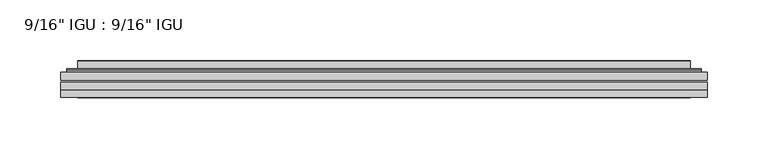
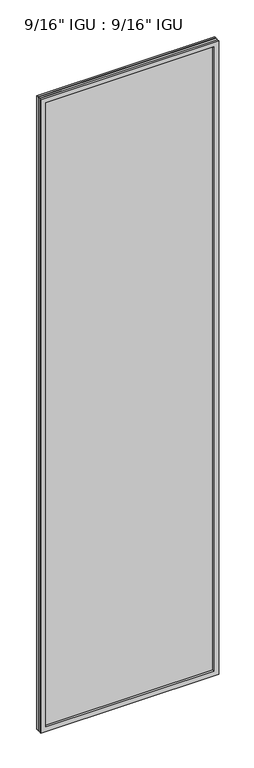
"""IFC4 building model written with IfcOpenShell, lengths in millimetres: plate geometry."""

import ifcopenshell
import ifcopenshell.guid

model = None  # the IFC model being written
_history = None  # IfcOwnerHistory: only IFC2X3 demands one
_inside = {}  # id of a spatial element -> (the spatial element, [elements in it])
_under = {}  # id of a project, library or spatial element -> (it, [spatial elements below it])
_declared = {}  # id of a project -> (the project, [libraries it declares])
_typed = {}  # id of a type object -> (the type object, [elements of that type])
_made_of = {}  # id of a material, layer set ... -> (it, [elements and type objects made of it])


def new_model(schema):
    """Start an empty IFC model of exactly this schema.

    Asked for "IFC4X3", IfcOpenShell would pick the latest addendum, in which some entities
    have other attributes; the version numbers below select the first issue.
    IFC2X3 requires an IfcOwnerHistory on every rooted entity: one is made here for all.
    """
    global model, _history
    if schema == "IFC4X3":
        model = ifcopenshell.file(schema_version=(4, 3, 0, 0))
    else:
        model = ifcopenshell.file(schema=schema)
    _inside.clear()
    _under.clear()
    _declared.clear()
    _typed.clear()
    _made_of.clear()
    _history = None
    if model.schema == "IFC2X3":
        org = make("IfcOrganization", Name="unknown")
        user = make(
            "IfcPersonAndOrganization",
            ThePerson=make("IfcPerson", FamilyName="unknown"),
            TheOrganization=org,
        )
        app = make(
            "IfcApplication",
            ApplicationDeveloper=org,
            Version="unknown",
            ApplicationFullName="unknown",
            ApplicationIdentifier="unknown",
        )
        _history = make(
            "IfcOwnerHistory",
            OwningUser=user,
            OwningApplication=app,
            ChangeAction="ADDED",
            CreationDate=0,
        )
    return model


def make(cls, **values):
    """One entity of the class cls with the attributes given. An attribute that is None is left unset."""
    return model.create_entity(
        cls, **{name: value for name, value in values.items() if value is not None}
    )


def rooted(cls, **values):
    """An entity with a GlobalId (a new one), such as an element, a storey or a relation."""
    return make(cls, GlobalId=ifcopenshell.guid.new(), OwnerHistory=_history, **values)


def si_unit(unit_type, name, prefix=None):
    """IfcSIUnit, for example si_unit("LENGTHUNIT", "METRE", prefix="MILLI")."""
    return make("IfcSIUnit", UnitType=unit_type, Prefix=prefix, Name=name)


def assignment(units):
    """IfcUnitAssignment: the units of a project."""
    return None if units is None else make("IfcUnitAssignment", Units=units)


def point(xyz):
    """IfcCartesianPoint."""
    return None if xyz is None else make("IfcCartesianPoint", Coordinates=xyz)


def direction(xyz):
    """IfcDirection."""
    return None if xyz is None else make("IfcDirection", DirectionRatios=xyz)


def frame(location, z_axis=None, x_axis=None):
    """IfcAxis2Placement3D, a coordinate frame: its origin and axes. An axis left out is left unset."""
    return make(
        "IfcAxis2Placement3D",
        Location=point(location),
        Axis=direction(z_axis),
        RefDirection=direction(x_axis),
    )


def origin():
    """The frame at (0, 0, 0) with its axes left unset."""
    return frame((0.0, 0.0, 0.0))


def place(relative_to, where):
    """IfcLocalPlacement: puts the frame where relative to a parent placement (None: the world)."""
    return make(
        "IfcLocalPlacement", PlacementRelTo=relative_to, RelativePlacement=where
    )


def context(
    kind, dimensions, precision=None, world=None, true_north=None, identifier=None
):
    """IfcGeometricRepresentationContext, for example the 3D "Model" context."""
    return make(
        "IfcGeometricRepresentationContext",
        ContextIdentifier=identifier,
        ContextType=kind,
        CoordinateSpaceDimension=dimensions,
        Precision=precision,
        WorldCoordinateSystem=world,
        TrueNorth=true_north,
    )


def project(units=None, contexts=None):
    """IfcProject with its units and contexts."""
    return rooted(
        "IfcProject",
        Name="project",
        RepresentationContexts=contexts,
        UnitsInContext=assignment(units),
    )


def spatial(cls, under=None, at=None, **own):
    """A site, building, storey or space (cls), placed at a placement, below another one or the project."""
    s = rooted(cls, ObjectPlacement=at, **own)
    if under is not None:
        _under.setdefault(under.id(), (under, []))[1].append(s)
    return s


def polyline(points):
    """IfcPolyline through the points."""
    return make("IfcPolyline", Points=[point(p) for p in points])


def ellipse_curve(where, semi_axis1, semi_axis2):
    """IfcEllipse in the frame where."""
    return make(
        "IfcEllipse", Position=where, SemiAxis1=semi_axis1, SemiAxis2=semi_axis2
    )


def outline(outer, holes=None, kind="AREA"):
    """IfcArbitraryClosedProfileDef: a profile drawn as a closed curve; with holes, ...WithVoids."""
    if holes is None:
        return make("IfcArbitraryClosedProfileDef", ProfileType=kind, OuterCurve=outer)
    return make(
        "IfcArbitraryProfileDefWithVoids",
        ProfileType=kind,
        OuterCurve=outer,
        InnerCurves=holes,
    )


def extrude(swept, where, along, depth):
    """IfcExtrudedAreaSolid: the profile swept, set in the frame where, extruded along a direction by depth."""
    return make(
        "IfcExtrudedAreaSolid",
        SweptArea=swept,
        Position=where,
        ExtrudedDirection=direction(along),
        Depth=depth,
    )


def faces_of(points, faces, orient=None, outer=None):
    """IfcFace entities. A face is a list of loops; a loop is a list of indices into points, from 0.

    orient and outer hold one flag for each loop. By default every Orientation is true, the
    first loop of a face is its IfcFaceOuterBound and the others are IfcFaceBound.
    """
    made = []
    for i, loops in enumerate(faces):
        bounds = []
        for j, loop in enumerate(loops):
            is_outer = j == 0 if outer is None else outer[i][j]
            bounds.append(
                make(
                    "IfcFaceOuterBound" if is_outer else "IfcFaceBound",
                    Bound=make("IfcPolyLoop", Polygon=[points[k] for k in loop]),
                    Orientation=True if orient is None else orient[i][j],
                )
            )
        made.append(make("IfcFace", Bounds=bounds))
    return made


def faceted_brep(points, faces, orient=None, outer=None, voids=None):
    """IfcFacetedBrep: a solid bounded by flat faces; with voids (closed shells), ...WithVoids."""
    shared = [point(p) for p in points]
    hull = make("IfcClosedShell", CfsFaces=faces_of(shared, faces, orient, outer))
    if voids is None:
        return make("IfcFacetedBrep", Outer=hull)
    return make(
        "IfcFacetedBrepWithVoids",
        Outer=hull,
        Voids=[
            make(cls, CfsFaces=faces_of(shared, fs, o, b)) for cls, fs, o, b in voids
        ],
    )


def shape(context_of_items, identifier, shape_type, items):
    """IfcShapeRepresentation: the items that make up one representation, for example the "Body"."""
    return make(
        "IfcShapeRepresentation",
        ContextOfItems=context_of_items,
        RepresentationIdentifier=identifier,
        RepresentationType=shape_type,
        Items=items,
    )


def source(mapping_origin, context_of_items, identifier, shape_type, items):
    """IfcRepresentationMap: a shape defined once, which mapped items show again and again."""
    return make(
        "IfcRepresentationMap",
        MappingOrigin=mapping_origin,
        MappedRepresentation=shape(context_of_items, identifier, shape_type, items),
    )


def transform(
    local_origin,
    x_axis=None,
    y_axis=None,
    z_axis=None,
    scale=None,
    scale2=None,
    scale3=None,
    uniform=True,
):
    """IfcCartesianTransformationOperator3D, or its non-uniform kind. x_axis, y_axis, z_axis: its Axis1, 2, 3."""
    if uniform:
        return make(
            "IfcCartesianTransformationOperator3D",
            Axis1=direction(x_axis),
            Axis2=direction(y_axis),
            LocalOrigin=point(local_origin),
            Scale=scale,
            Axis3=direction(z_axis),
        )
    return make(
        "IfcCartesianTransformationOperator3DnonUniform",
        Axis1=direction(x_axis),
        Axis2=direction(y_axis),
        LocalOrigin=point(local_origin),
        Scale=scale,
        Axis3=direction(z_axis),
        Scale2=scale2,
        Scale3=scale3,
    )


def mapped(mapping_source, mapping_target):
    """IfcMappedItem: shows the shape of a source again, moved by a transform."""
    return make(
        "IfcMappedItem", MappingSource=mapping_source, MappingTarget=mapping_target
    )


def made_of(thing, what):
    """Note that an element or type object is made of a material, layer set ...; save() writes the relation."""
    if what is not None:
        _made_of.setdefault(what.id(), (what, []))[1].append(thing)
    return thing


def element(
    cls,
    number,
    at=None,
    inside=None,
    cuts=None,
    type_object=None,
    material=None,
    context=None,
    identifier="Body",
    shape_type=None,
    held_by="IfcProductDefinitionShape",
    body=None,
    shapes=None,
    **own,
):
    """One element of the class cls, such as IfcWall. Its Tag is "e" and its number.

    at: its placement. inside: the storey or other place that contains it. cuts: it is an
    opening in that element (IfcRelVoidsElement). A single representation is given by context,
    identifier, shape_type and body (its items); several are given by shapes. held_by: the class
    of the entity that holds the representations. save() writes the other relations.
    """
    e = rooted(cls, Tag="e%d" % number, ObjectPlacement=at, **own)
    if body is not None:
        shapes = [shape(context, identifier, shape_type, body)]
    if shapes is not None:
        e.Representation = make(held_by, Representations=shapes)
    if inside is not None:
        _inside.setdefault(inside.id(), (inside, []))[1].append(e)
    if cuts is not None:
        rooted(
            "IfcRelVoidsElement", RelatingBuildingElement=cuts, RelatedOpeningElement=e
        )
    if type_object is not None:
        _typed.setdefault(type_object.id(), (type_object, []))[1].append(e)
    return made_of(e, material)


def aggregate(whole, parts):
    """IfcRelAggregates: a whole, such as a stair, and the parts it consists of."""
    return rooted("IfcRelAggregates", RelatingObject=whole, RelatedObjects=parts)


def save(model, path):
    """Write the relations noted so far, then the file.

    IfcRelAggregates (storeys below a building ...), IfcRelContainedInSpatialStructure (elements
    in a storey), IfcRelDefinesByType, IfcRelAssociatesMaterial and IfcRelDeclares: one each for
    every whole, place, type object, material and project.
    """
    for whole, parts in _under.values():
        aggregate(whole, parts)
    for where, things in _inside.values():
        rooted(
            "IfcRelContainedInSpatialStructure",
            RelatedElements=things,
            RelatingStructure=where,
        )
    for kind, things in _typed.values():
        rooted("IfcRelDefinesByType", RelatedObjects=things, RelatingType=kind)
    for what, things in _made_of.values():
        rooted("IfcRelAssociatesMaterial", RelatedObjects=things, RelatingMaterial=what)
    for by, libraries in _declared.values():
        rooted("IfcRelDeclares", RelatingContext=by, RelatedDefinitions=libraries)
    model.write(path)


def plane_surface(at):
    """IfcPlane: the flat surface through the origin of the frame at, square to its z axis."""
    return make("IfcPlane", Position=at)


def cylinder_surface(at, radius):
    """IfcCylindricalSurface: all points at the distance radius from the z axis of the frame at."""
    return make("IfcCylindricalSurface", Position=at, Radius=radius)


def advanced_brep(points, edges, surfaces, faces):
    """IfcAdvancedBrep: a solid bounded by faces that lie on surfaces and meet in shared edges.

    An edge is (start, end): straight between two places in points (the first is 0);
    or (start, end, curve); or (start, end, curve, False) where it runs against its curve.
    A face is (place in surfaces, loops), or (place, loops, False) where it looks against
    its surface's normal. A loop lists edges by number (the first is 1), with a minus sign
    where the edge is run from its end to its start. The first loop is the outer one.
    """
    corners = [point(p) for p in points]
    vertices = [make("IfcVertexPoint", VertexGeometry=c) for c in corners]
    made = []
    for start, end, *more in edges:
        made.append(
            make(
                "IfcEdgeCurve",
                EdgeStart=vertices[start],
                EdgeEnd=vertices[end],
                EdgeGeometry=more[0] if more else make("IfcPolyline", Points=[corners[start], corners[end]]),
                SameSense=more[1] if len(more) > 1 else True,
            )
        )
    hull = []
    for where, loops, *sense in faces:
        bounds = []
        for j, loop in enumerate(loops):
            ring = [make("IfcOrientedEdge", EdgeElement=made[abs(k) - 1], Orientation=k > 0) for k in loop]
            bounds.append(
                make(
                    "IfcFaceOuterBound" if j == 0 else "IfcFaceBound",
                    Bound=make("IfcEdgeLoop", EdgeList=ring),
                    Orientation=True,
                )
            )
        hull.append(make("IfcAdvancedFace", Bounds=bounds, FaceSurface=surfaces[where], SameSense=sense[0] if sense else True))
    return make("IfcAdvancedBrep", Outer=make("IfcClosedShell", CfsFaces=hull))


def plate_80cfec87(model_context):
    return source(origin(), model_context, "Body", "SolidModel", [
        extrude(outline(polyline([(266.7143106, -54.78145), (266.7143106, -61.1317818), (-266.7001356, -61.1317818), (-266.7001356, -54.78145), (266.7143106, -54.78145)])), frame((0.0, 0.0, -14.2875), z_axis=(0.0, 0.0, 1.0), x_axis=(1.0, 0.0, 0.0)), (0.0, 0.0, 1.0), 2008.6024979),
        extrude(outline(polyline([(-266.7001356, -69.05625), (-266.7001356, -62.705745), (266.7143106, -62.705745), (266.7143106, -69.05625), (-266.7001356, -69.05625)])), frame((0.0, 0.0, -14.2875), z_axis=(0.0, 0.0, 1.0), x_axis=(1.0, 0.0, 0.0)), (0.0, 0.0, 1.0), 2008.6024979),
        faceted_brep([(-266.7128356, -75.40625, 1994.3239), (-266.7128356, -69.05625, 1994.3239), (-266.7128356, -69.05625, -14.3002), (-266.7128356, -75.40625, -14.3002), (266.7128356, -69.05625, -14.3002), (266.7128356, -75.40625, -14.3002), (266.7128356, -69.05625, 1994.3239), (266.7128356, -75.40625, 1994.3239), (-251.5148915, -69.05625, 0.8977441), (251.5148915, -69.05625, 0.8977441), (251.5148915, -69.05625, 1979.1259559), (-251.5148915, -69.05625, 1979.1259559), (-252.4073258, -75.40625, 1980.0183902), (252.4073258, -75.40625, 1980.0183902), (252.4073258, -75.40625, 0.0053098), (-252.4073258, -75.40625, 0.0053098)], [[[0, 1, 2, 3]], [[3, 2, 4, 5]], [[5, 4, 6, 7]], [[1, 6, 4, 2], [8, 9, 10, 11]], [[7, 6, 1, 0]], [[3, 5, 7, 0], [12, 13, 14, 15]], [[11, 12, 15, 8]], [[8, 15, 14, 9]], [[9, 14, 13, 10]], [[10, 13, 12, 11]]]),
        advanced_brep(
        [(-259.4588547, -54.78145, 1987.0699191), (-261.81306, -52.7917833, 1989.4241244), (-261.81306, -52.7917833, -9.4004244), (-259.4588547, -54.78145, -7.046219), (-250.3845295, -50.941413, 1977.9955939), (-245.4496977, -54.78145, 1973.0607621), (-245.4496977, -54.78145, 6.9629379), (-250.3845295, -50.941413, 2.0281061), (-251.4165573, -45.5441819, 1979.0276217), (-251.4165573, -45.5441819, 0.9960783), (-252.4072141, -45.1452069, 1980.0182785), (-252.4072141, -45.1452069, 0.0054216), (-252.4072141, -51.60645, 1980.0182785), (-252.4072141, -51.60645, 0.0054216), (-260.8112705, -51.60645, 1988.4223349), (-260.8112705, -51.60645, -8.3986349), (261.81306, -52.7917833, -9.4004244), (259.4588547, -54.78145, -7.046219), (245.4496977, -54.78145, 6.9629379), (250.3845295, -50.941413, 2.0281061), (251.4165573, -45.5441819, 0.9960783), (252.4072141, -45.1452069, 0.0054216), (252.4072141, -51.60645, 0.0054216), (260.8112705, -51.60645, -8.3986349), (261.81306, -52.7917833, 1989.4241244), (259.4588547, -54.78145, 1987.0699191), (245.4496977, -54.78145, 1973.0607621), (250.3845295, -50.941413, 1977.9955939), (251.4165573, -45.5441819, 1979.0276217), (252.4072141, -45.1452069, 1980.0182785), (252.4072141, -51.60645, 1980.0182785), (260.8112705, -51.60645, 1988.4223349)],
        [
            (0, 1, ellipse_curve(frame((-259.4588547, -52.39385, 1987.0699191), z_axis=(-0.7071067811865475, 0.0, -0.7071067811865475), x_axis=(-0.7071067811865474, 0.0, 0.7071067811865476)), 3.3765763, 2.3876)),
            (1, 2),
            (2, 3, ellipse_curve(frame((-259.4588547, -52.39385, -7.046219), z_axis=(-0.7071067811865475, 0.0, 0.7071067811865475), x_axis=(0.7071067811865474, 0.0, 0.7071067811865476)), 3.3765763, 2.3876)),
            (3, 0),
            (4, 5),
            (5, 6),
            (6, 7),
            (7, 4),
            (8, 4),
            (7, 9),
            (9, 8),
            (10, 8, ellipse_curve(frame((-252.0402575, -45.6634423, 1979.6513219), z_axis=(-0.7071067811865475, 0.0, -0.7071067811865475), x_axis=(-0.7071067811865474, 0.0, 0.7071067811865476)), 0.8980256, 0.635)),
            (9, 11, ellipse_curve(frame((-252.0402575, -45.6634423, 0.3723781), z_axis=(-0.7071067811865475, 0.0, 0.7071067811865475), x_axis=(0.7071067811865474, 0.0, 0.7071067811865476)), 0.8980256, 0.635)),
            (11, 10),
            (12, 10),
            (11, 13),
            (13, 12),
            (1, 14, ellipse_curve(frame((-260.8112705, -52.62245, 1988.4223349), z_axis=(-0.7071067811865475, 0.0, -0.7071067811865475), x_axis=(-0.7071067811865474, 0.0, 0.7071067811865476)), 1.436841, 1.016)),
            (14, 15),
            (15, 2, ellipse_curve(frame((-260.8112705, -52.62245, -8.3986349), z_axis=(-0.7071067811865475, 0.0, 0.7071067811865475), x_axis=(0.7071067811865474, 0.0, 0.7071067811865476)), 1.436841, 1.016)),
            (2, 16),
            (16, 17, ellipse_curve(frame((259.4588547, -52.39385, -7.046219), z_axis=(-0.7071067811865475, 0.0, -0.7071067811865475), x_axis=(-0.7071067811865476, 0.0, 0.7071067811865474)), 3.3765763, 2.3876)),
            (17, 3),
            (6, 18),
            (18, 19),
            (19, 7),
            (19, 20),
            (20, 9),
            (20, 21, ellipse_curve(frame((252.0402575, -45.6634423, 0.3723781), z_axis=(-0.7071067811865475, 0.0, -0.7071067811865475), x_axis=(-0.7071067811865476, 0.0, 0.7071067811865474)), 0.8980256, 0.635)),
            (21, 11),
            (21, 22),
            (22, 13),
            (15, 23),
            (23, 16, ellipse_curve(frame((260.8112705, -52.62245, -8.3986349), z_axis=(-0.7071067811865475, 0.0, -0.7071067811865475), x_axis=(-0.7071067811865476, 0.0, 0.7071067811865474)), 1.436841, 1.016)),
            (16, 24),
            (24, 25, ellipse_curve(frame((259.4588547, -52.39385, 1987.0699191), z_axis=(0.7071067811865475, 0.0, -0.7071067811865475), x_axis=(-0.7071067811865474, 0.0, -0.7071067811865476)), 3.3765763, 2.3876)),
            (25, 17),
            (18, 26),
            (26, 27),
            (27, 19),
            (27, 28),
            (28, 20),
            (28, 29, ellipse_curve(frame((252.0402575, -45.6634423, 1979.6513219), z_axis=(0.7071067811865475, 0.0, -0.7071067811865475), x_axis=(-0.7071067811865474, 0.0, -0.7071067811865476)), 0.8980256, 0.635)),
            (29, 21),
            (29, 30),
            (30, 22),
            (23, 31),
            (31, 24, ellipse_curve(frame((260.8112705, -52.62245, 1988.4223349), z_axis=(0.7071067811865475, 0.0, -0.7071067811865475), x_axis=(-0.7071067811865474, 0.0, -0.7071067811865476)), 1.436841, 1.016)),
            (24, 1),
            (0, 25),
            (5, 26),
            (4, 27),
            (8, 28),
            (10, 29),
            (12, 30),
            (14, 31),
        ],
        [
            cylinder_surface(frame((-259.4588547, -52.39385, 2011.7737), z_axis=(0.0, 0.0, 1.0), x_axis=(-1.0, 0.0, 0.0)), 2.3876),
            plane_surface(frame((-245.4496977, -54.78145, 1973.0607621), z_axis=(0.6141233906514794, 0.7892100234124821, 0.0), x_axis=(0.0, 0.0, -1.0))),
            plane_surface(frame((-250.3845295, -50.941413, 1977.9955939), z_axis=(0.9822050625507728, 0.18781164793386088, 0.0), x_axis=(0.0, 0.0, -1.0))),
            cylinder_surface(frame((-252.0402575, -45.6634423, 2011.7737), z_axis=(0.0, 0.0, 1.0), x_axis=(-1.0, 0.0, 0.0)), 0.635),
            plane_surface(frame((-252.4072141, -45.1452069, 1980.0182785), z_axis=(-1.0, 0.0, 0.0), x_axis=(0.0, 0.0, -1.0))),
            cylinder_surface(frame((-260.8112705, -52.62245, 2011.7737), z_axis=(0.0, 0.0, 1.0), x_axis=(-1.0, 0.0, 0.0)), 1.016),
            cylinder_surface(frame((-284.1626356, -52.39385, -7.046219), z_axis=(-1.0, 0.0, 0.0), x_axis=(0.0, 0.0, -1.0)), 2.3876),
            plane_surface(frame((-245.4496977, -54.78145, 6.9629379), z_axis=(0.0, 0.7892100234124841, 0.6141233906514768), x_axis=(1.0, 0.0, 0.0))),
            plane_surface(frame((-250.3845295, -50.941413, 2.0281061), z_axis=(0.0, 0.18781164793386404, 0.9822050625507722), x_axis=(1.0, 0.0, 0.0))),
            cylinder_surface(frame((-284.1626356, -45.6634423, 0.3723781), z_axis=(-1.0, 0.0, 0.0), x_axis=(0.0, 0.0, -1.0)), 0.635),
            plane_surface(frame((-252.4072141, -45.1452069, 0.0054216), z_axis=(0.0, 0.0, -1.0), x_axis=(1.0, 0.0, 0.0))),
            cylinder_surface(frame((-284.1626356, -52.62245, -8.3986349), z_axis=(-1.0, 0.0, 0.0), x_axis=(0.0, 0.0, -1.0)), 1.016),
            cylinder_surface(frame((259.4588547, -52.39385, -31.75), z_axis=(0.0, 0.0, -1.0), x_axis=(1.0, 0.0, 0.0)), 2.3876),
            plane_surface(frame((245.4496977, -54.78145, 6.9629379), z_axis=(-0.6141233906514743, 0.7892100234124861, 0.0), x_axis=(0.0, 0.0, 1.0))),
            plane_surface(frame((250.3845295, -50.941413, 2.0281061), z_axis=(-0.9822050625507717, 0.1878116479338672, 0.0), x_axis=(0.0, 0.0, 1.0))),
            cylinder_surface(frame((252.0402575, -45.6634423, -31.75), z_axis=(0.0, 0.0, -1.0), x_axis=(1.0, 0.0, 0.0)), 0.635),
            plane_surface(frame((252.4072141, -45.1452069, 0.0054216), z_axis=(1.0, 0.0, 0.0), x_axis=(0.0, 0.0, 1.0))),
            cylinder_surface(frame((260.8112705, -52.62245, -31.75), z_axis=(0.0, 0.0, -1.0), x_axis=(1.0, 0.0, 0.0)), 1.016),
            cylinder_surface(frame((284.1626356, -52.39385, 1987.0699191), z_axis=(1.0, 0.0, 0.0), x_axis=(0.0, 0.0, 1.0)), 2.3876),
            plane_surface(frame((259.4588547, -54.78145, 1987.0699191), z_axis=(0.0, -1.0, 0.0), x_axis=(-1.0, 0.0, 0.0))),
            plane_surface(frame((245.4496977, -54.78145, 1973.0607621), z_axis=(0.0, 0.7892100234124841, -0.6141233906514768), x_axis=(-1.0, 0.0, 0.0))),
            plane_surface(frame((250.3845295, -50.941413, 1977.9955939), z_axis=(0.0, 0.18781164793386404, -0.9822050625507722), x_axis=(-1.0, 0.0, 0.0))),
            cylinder_surface(frame((284.1626356, -45.6634423, 1979.6513219), z_axis=(1.0, 0.0, 0.0), x_axis=(0.0, 0.0, 1.0)), 0.635),
            plane_surface(frame((252.4072141, -45.1452069, 1980.0182785), z_axis=(0.0, 0.0, 1.0), x_axis=(-1.0, 0.0, 0.0))),
            plane_surface(frame((252.4072141, -51.60645, 1980.0182785), z_axis=(0.0, 1.0, 0.0), x_axis=(-1.0, 0.0, 0.0))),
            cylinder_surface(frame((284.1626356, -52.62245, 1988.4223349), z_axis=(1.0, 0.0, 0.0), x_axis=(0.0, 0.0, 1.0)), 1.016),
        ],
        [
            (0, [[1, 2, 3, 4]]),
            (1, [[5, 6, 7, 8]]),
            (2, [[9, -8, 10, 11]]),
            (3, [[12, -11, 13, 14]]),
            (4, [[15, -14, 16, 17]]),
            (5, [[18, 19, 20, -2]]),
            (6, [[-3, 21, 22, 23]]),
            (7, [[-7, 24, 25, 26]]),
            (8, [[-10, -26, 27, 28]]),
            (9, [[-13, -28, 29, 30]]),
            (10, [[-16, -30, 31, 32]]),
            (11, [[-20, 33, 34, -21]]),
            (12, [[-22, 35, 36, 37]]),
            (13, [[-25, 38, 39, 40]]),
            (14, [[-27, -40, 41, 42]]),
            (15, [[-29, -42, 43, 44]]),
            (16, [[-31, -44, 45, 46]]),
            (17, [[-34, 47, 48, -35]]),
            (18, [[-36, 49, -1, 50]]),
            (19, [[-23, -37, -50, -4], [51, -38, -24, -6]]),
            (20, [[-39, -51, -5, 52]]),
            (21, [[-41, -52, -9, 53]]),
            (22, [[-43, -53, -12, 54]]),
            (23, [[-45, -54, -15, 55]]),
            (24, [[56, -47, -33, -19], [-32, -46, -55, -17]]),
            (25, [[-48, -56, -18, -49]]),
        ],
    ),
    ])


if __name__ == "__main__":
    model = new_model("IFC4")
    model_context = context("Model", 3, world=origin())
    ifc_project = project(units=[si_unit("LENGTHUNIT", "METRE", prefix="MILLI")], contexts=[model_context])
    site = spatial("IfcSite", under=ifc_project)
    building = spatial("IfcBuilding", under=site)
    placement = place(None, origin())
    plate_shape = plate_80cfec87(model_context)
    element("IfcPlate", 1, ObjectType="9/16\" IGU : 9/16\" IGU", at=placement, inside=building, context=model_context, shape_type="MappedRepresentation", body=[
        mapped(plate_shape, transform((0.0, 0.0, 0.0), x_axis=(1.0, 0.0, 0.0), y_axis=(0.0, 1.0, 0.0), z_axis=(0.0, 0.0, 1.0))),
    ])
    save(model, "model.ifc")
